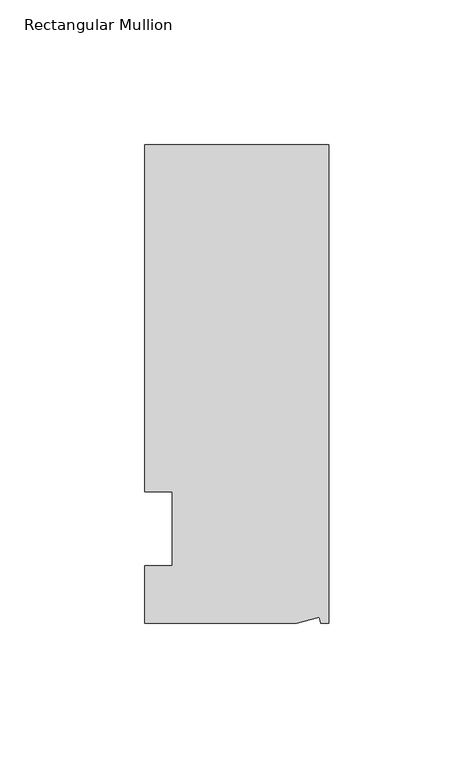
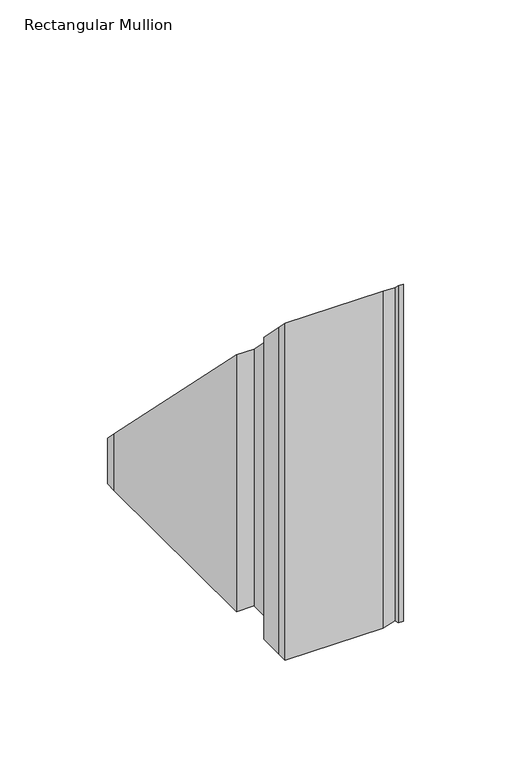
"""IFC4 building model written with IfcOpenShell, lengths in millimetres: member geometry, Rectangular Mullion."""

from ifc_helpers import new_model, si_unit, origin, place, context, project, spatial, faceted_brep, source, transform, mapped, element, save


def rectangular_mullion_f6c8bea1(model_context):
    return source(origin(), model_context, "Body", "Brep", [
        faceted_brep([(0.0, 132.5561012, -158.5163788), (0.0, -32.5438988, -158.5163788), (-2.7630634, -32.5438988, -158.5163788), (-3.3223696, -30.4565397, -158.5163788), (-11.1125, -32.5438988, -158.5163788), (-63.5076469, -32.5438988, -158.5163788), (-63.5076469, -26.1938988, -158.5163788), (-63.5, -12.7, -158.5163788), (-53.975, -12.7, -158.5163788), (-53.975, 12.8488281, -158.5163788), (-63.5, 12.8488281, -158.5163788), (-63.5, 126.2061012, -158.5163788), (-63.5, 132.5561012, -158.5163788), (0.0, 132.5561012, -132.5561012), (0.0, -32.5438988, 32.5438988), (-63.5, 132.5561012, -132.5561012), (-63.5, 12.8488281, -12.8488281), (-63.5, 126.2061012, -126.2061012), (-53.975, 12.8488281, -12.8488281), (-53.975, -12.7, 12.7), (-63.5, -12.7, 12.7), (-63.5, -26.1938988, 26.1938988), (-11.1125, -32.5438988, 32.5438988), (-63.5076469, -32.5438988, 32.5438988), (-3.3223696, -30.4565397, 30.4565397), (-2.7630634, -32.5438988, 32.5438988)], [[[0, 1, 2, 3, 4, 5, 6, 7, 8, 9, 10, 11, 12]], [[13, 14, 1, 0]], [[15, 13, 0, 12]], [[16, 17, 11, 10]], [[18, 16, 10, 9]], [[19, 18, 9, 8]], [[20, 19, 8, 7]], [[21, 20, 7, 6]], [[22, 23, 5, 4]], [[24, 22, 4, 3]], [[25, 24, 3, 2]], [[14, 25, 2, 1]], [[13, 15, 17, 16, 18, 19, 20, 21, 23, 22, 24, 25, 14]], [[17, 15, 12, 11]], [[23, 21, 6, 5]]]),
    ])


if __name__ == "__main__":
    model = new_model("IFC4")
    model_context = context("Model", 3, world=origin())
    ifc_project = project(units=[si_unit("LENGTHUNIT", "METRE", prefix="MILLI")], contexts=[model_context])
    site = spatial("IfcSite", under=ifc_project)
    building = spatial("IfcBuilding", under=site)
    placement = place(None, origin())
    rectangular_mullion_shape = rectangular_mullion_f6c8bea1(model_context)
    element("IfcMember", 1, ObjectType="Rectangular Mullion", at=placement, inside=building, context=model_context, shape_type="MappedRepresentation", body=[
        mapped(rectangular_mullion_shape, transform((0.0, 0.0, 0.0), x_axis=(1.0, 0.0, 0.0), y_axis=(0.0, 1.0, 0.0), z_axis=(0.0, 0.0, 1.0))),
    ])
    save(model, "model.ifc")
